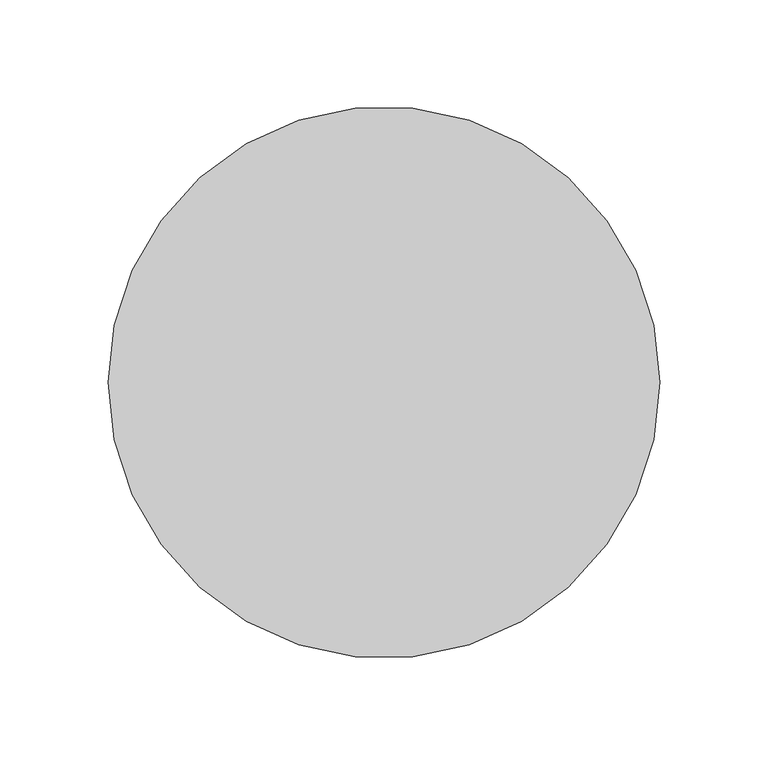
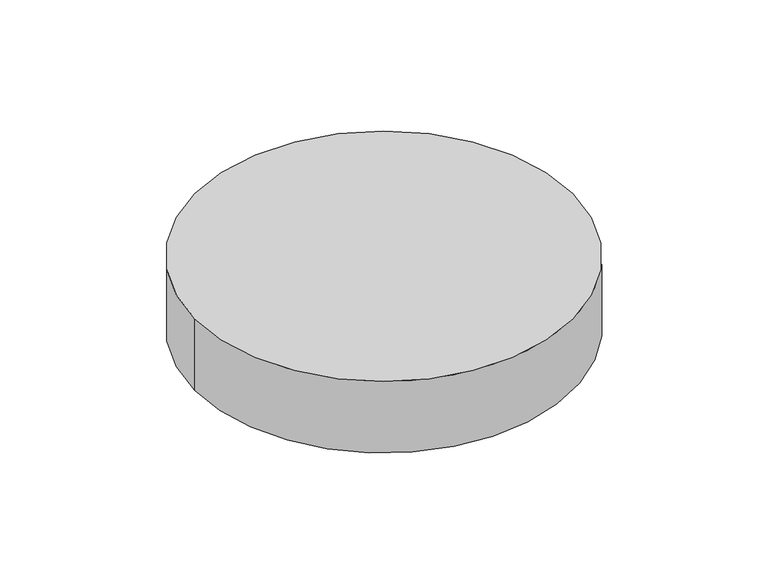
"""IFC4 building model written with IfcOpenShell, lengths in millimetres: light fixture geometry."""

from ifc_helpers import new_model, si_unit, point, frame_2d, origin, origin_with_axes, place, context, project, spatial, circle_curve, trimmed, segment, composite_curve, outline, extrude, source, transform, mapped, element, save


def light_fixture_577baa1d(model_context):
    return source(origin(), model_context, "Body", "SweptSolid", [
        extrude(outline(composite_curve([segment(trimmed(circle_curve(frame_2d((-0.0110501, -101.4581501)), 127.0), [point((-127.0110501, -101.4581501))], [point((126.9889499, -101.4581501))], False, "CARTESIAN"), True, "CONTINUOUS"), segment(trimmed(circle_curve(frame_2d((-0.0110501, -101.4581501)), 127.0), [point((126.9889499, -101.4581501))], [point((-127.0110501, -101.4581501))], False, "CARTESIAN"), True, "CONTINUOUS")], self_intersect=False)), origin_with_axes(), (0.0, 0.0, 1.0), 50.8),
    ])


if __name__ == "__main__":
    model = new_model("IFC4")
    model_context = context("Model", 3, world=origin())
    ifc_project = project(units=[si_unit("LENGTHUNIT", "METRE", prefix="MILLI")], contexts=[model_context])
    site = spatial("IfcSite", under=ifc_project)
    building = spatial("IfcBuilding", under=site)
    placement = place(None, origin())
    light_fixture_shape = light_fixture_577baa1d(model_context)
    element("IfcLightFixture", 1, at=placement, inside=building, context=model_context, shape_type="MappedRepresentation", body=[
        mapped(light_fixture_shape, transform((0.0, 0.0, 0.0), x_axis=(1.0, 0.0, 0.0), y_axis=(0.0, 1.0, 0.0), z_axis=(0.0, 0.0, 1.0))),
    ])
    save(model, "model.ifc")
